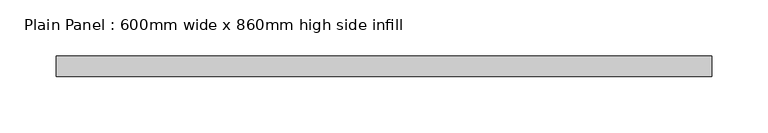
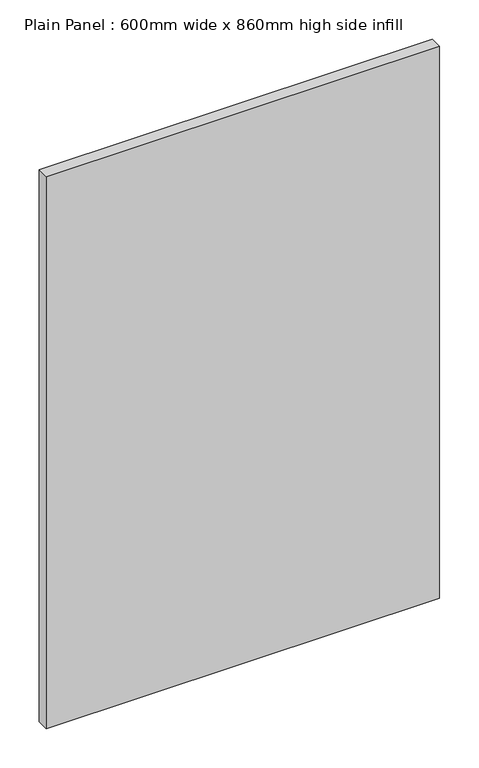
"""IFC4 building model written with IfcOpenShell, lengths in millimetres: furniture geometry, Plain Panel : 600mm wide x 860mm high side infill."""

from ifc_helpers import new_model, si_unit, origin, origin_with_axes, place, context, project, spatial, polyline, outline, extrude, source, transform, mapped, element, save


def plain_panel_600mm_wide_x_860mm_high_side_infill_ba13e8e2(model_context):
    return source(origin(), model_context, "Body", "SweptSolid", [
        extrude(outline(polyline([(424.7003264, -507.0), (424.7003264, -525.0), (-155.2996736, -525.0), (-155.2996736, -507.0), (424.7003264, -507.0)])), origin_with_axes(), (0.0, 0.0, 1.0), 860.0),
    ])


if __name__ == "__main__":
    model = new_model("IFC4")
    model_context = context("Model", 3, world=origin())
    ifc_project = project(units=[si_unit("LENGTHUNIT", "METRE", prefix="MILLI")], contexts=[model_context])
    site = spatial("IfcSite", under=ifc_project)
    building = spatial("IfcBuilding", under=site)
    placement = place(None, origin())
    plain_panel_600mm_wide_x_860mm_high_side_infill_shape = plain_panel_600mm_wide_x_860mm_high_side_infill_ba13e8e2(model_context)
    element("IfcFurniture", 1, ObjectType="Plain Panel : 600mm wide x 860mm high side infill", at=placement, inside=building, context=model_context, shape_type="MappedRepresentation", body=[
        mapped(plain_panel_600mm_wide_x_860mm_high_side_infill_shape, transform((0.0, 0.0, 0.0), x_axis=(1.0, 0.0, 0.0), y_axis=(0.0, 1.0, 0.0), z_axis=(0.0, 0.0, 1.0))),
    ])
    save(model, "model.ifc")
